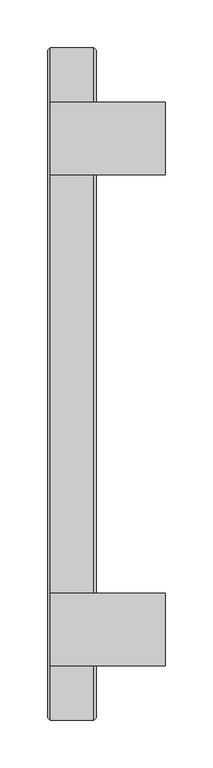
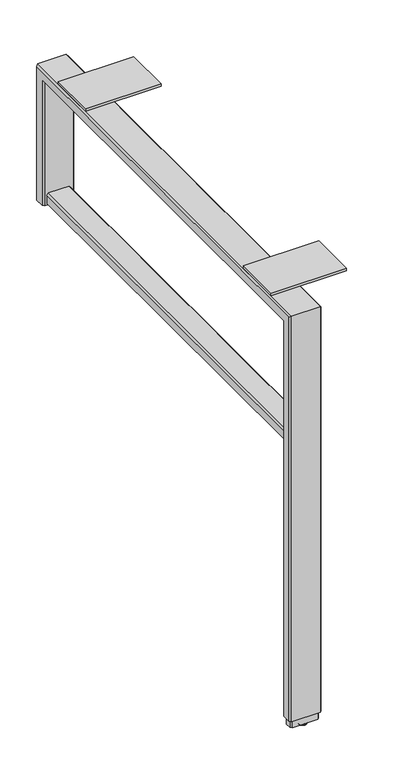
"""IFC4 building model written with IfcOpenShell, lengths in millimetres: furniture geometry."""

from ifc_helpers import new_model, si_unit, point, frame, origin, place, context, project, spatial, polyline, circle_curve, ellipse_curve, trimmed, outline, extrude, faceted_brep, source, transform, mapped, element, save
from ifc_brep_helpers import plane_surface, cylinder_surface, revolved_surface, advanced_brep


def furniture_b6c61a9d(model_context):
    return source(origin(), model_context, "Body", "SolidModel", [
        extrude(outline(polyline([(-638.808801, -323.9770123), (-638.808801, -400.1770123), (-759.458801, -400.1770123), (-759.458801, -323.9770123), (-638.808801, -323.9770123)])), frame((0.0, 0.0, 702.5386222), z_axis=(0.0, 0.0, 1.0), x_axis=(1.0, 0.0, 0.0)), (0.0, 0.0, 1.0), 4.3434),
        extrude(outline(polyline([(-638.808801, 190.6777877), (-638.808801, 114.4777877), (-759.458801, 114.4777877), (-759.458801, 190.6777877), (-638.808801, 190.6777877)])), frame((0.0, 0.0, 702.5386222), z_axis=(0.0, 0.0, 1.0), x_axis=(1.0, 0.0, 0.0)), (0.0, 0.0, 1.0), 4.3434),
        extrude(outline(polyline([(476.3769908, -755.6487993), (473.8369932, -753.1088017), (473.8369932, -720.0887986), (476.3769908, -717.548801), (490.3469956, -717.548801), (492.8869932, -720.0887986), (492.8869932, -753.1087989), (490.3469928, -755.6487993), (476.3769908, -755.6487993)])), frame((0.0, -438.2770123, 0.0), z_axis=(0.0, 1.0, 0.0), x_axis=(0.0, 0.0, 1.0)), (0.0, 0.0, 1.0), 667.0548),
        advanced_brep(
        [(-731.5193954, -447.8020123, 0.0), (-741.6793993, -447.8020123, 0.0), (-736.5993974, -447.8020123, 0.0), (-736.5993974, -447.8020123, 3.8100001), (-743.2220422, -447.8020123, 3.8100001), (-729.9767525, -447.8020123, 3.8100001), (-743.7113974, -447.8020123, 3.183654), (-729.4873973, -447.8020123, 3.183654), (-743.7113974, -447.8020123, 2.032), (-729.4873973, -447.8020123, 2.032)],
        [
            (0, 1, circle_curve(frame((-736.5993974, -447.8020123, 0.0), z_axis=(0.0, 0.0, -1.0), x_axis=(-1.0, 0.0, 0.0)), 5.080002)),
            (1, 2),
            (2, 0),
            (1, 0, circle_curve(frame((-736.5993974, -447.8020123, 0.0), z_axis=(0.0, 0.0, -1.0), x_axis=(-1.0, 0.0, 0.0)), 5.080002)),
            (3, 4),
            (4, 5, circle_curve(frame((-736.5993974, -447.8020123, 3.8100001), z_axis=(0.0, 0.0, 1.0), x_axis=(-1.0, 0.0, 0.0)), 6.6226448)),
            (5, 3),
            (5, 4, circle_curve(frame((-736.5993974, -447.8020123, 3.8100001), z_axis=(0.0, 0.0, 1.0), x_axis=(-1.0, 0.0, 0.0)), 6.6226448)),
            (4, 6),
            (6, 7, circle_curve(frame((-736.5993974, -447.8020123, 3.183654), z_axis=(0.0, 0.0, 1.0), x_axis=(-1.0, 0.0, 0.0)), 7.112)),
            (7, 5),
            (7, 6, circle_curve(frame((-736.5993974, -447.8020123, 3.183654), z_axis=(0.0, 0.0, 1.0), x_axis=(-1.0, 0.0, 0.0)), 7.112)),
            (6, 8),
            (8, 9, circle_curve(frame((-736.5993974, -447.8020123, 2.032), z_axis=(0.0, 0.0, 1.0), x_axis=(-1.0, 0.0, 0.0)), 7.112)),
            (9, 7),
            (9, 8, circle_curve(frame((-736.5993974, -447.8020123, 2.032), z_axis=(0.0, 0.0, 1.0), x_axis=(-1.0, 0.0, 0.0)), 7.112)),
            (8, 1, circle_curve(frame((-740.2425579, -447.8020123, 3.4688381), z_axis=(0.0, -1.0, 0.0), x_axis=(-1.0, 0.0, 0.0)), 3.7546439)),
            (0, 9, circle_curve(frame((-732.9562368, -447.8020123, 3.4688381), z_axis=(0.0, -1.0, 0.0), x_axis=(1.0, 0.0, 0.0)), 3.7546439)),
        ],
        [
            plane_surface(frame((-736.5993974, -447.8020123, 0.0), z_axis=(0.0, 0.0, -1.0), x_axis=(-1.0, 0.0, 0.0))),
            plane_surface(frame((-736.5993974, -447.8020123, 3.8100001), z_axis=(0.0, 0.0, 1.0), x_axis=(-1.0, 0.0, 0.0))),
            revolved_surface(polyline([(-743.7113974, -447.8020123, 3.183654), (-743.2220422, -447.8020123, 3.8100001)]), (-736.5993974, -447.8020123, -2.6032322), (0.0, 0.0, 1.0)),
            cylinder_surface(frame((-736.5993974, -447.8020123, -2.6032322), z_axis=(0.0, 0.0, 1.0), x_axis=(-1.0, 0.0, 0.0)), 7.112),
            revolved_surface(trimmed(ellipse_curve(frame((-740.2425579, -447.8020123, 3.4688381), z_axis=(0.0, 1.0, 0.0), x_axis=(-1.0, 0.0, 0.0)), 3.7546439, 3.7546439), [point((-741.6793993, -447.8020123, 0.0))], [point((-743.7113974, -447.8020123, 2.032))], True, "CARTESIAN"), (-736.5993974, -447.8020123, -2.6032322), (0.0, 0.0, 1.0)),
        ],
        [
            (0, [[1, 2, 3]]),
            (0, [[4, -3, -2]]),
            (1, [[5, 6, 7]]),
            (1, [[-7, 8, -5]]),
            (2, [[-6, 9, 10, 11]]),
            (2, [[-8, -11, 12, -9]]),
            (3, [[-10, 13, 14, 15]]),
            (3, [[-12, -15, 16, -13]]),
            (4, [[-14, 17, -1, 18]]),
            (4, [[-16, -18, -4, -17]]),
        ],
    ),
        extrude(outline(polyline([(-757.0458011, -440.6900191), (-716.1523987, -440.6900191), (-713.6118022, -443.2300166), (-713.6118022, -452.3740079), (-716.1523987, -454.9140055), (-757.0458011, -454.9140055), (-759.5858009, -452.3740079), (-759.5858009, -443.2300166), (-757.0458011, -440.6900191)])), frame((0.0, 0.0, 3.8100001), z_axis=(0.0, 0.0, 1.0), x_axis=(1.0, 0.0, 0.0)), (0.0, 0.0, 1.0), 12.6999999),
        faceted_brep([(-761.9994011, -454.7870147, 16.51), (-761.9994011, -440.8170098, 16.51), (-759.4594011, -438.2770123, 16.51), (-713.7394021, -438.2770123, 16.51), (-711.1994, -440.8170144, 16.51), (-711.1994, -454.7870102, 16.51), (-713.7394021, -457.3270123, 16.51), (-759.4594011, -457.3270123, 16.51), (-761.9994011, -454.7870147, 699.9986246), (-761.9994011, 245.2877902, 699.9986246), (-761.9994011, 245.2877902, 473.8369932), (-761.9994011, 231.3177853, 473.8369932), (-761.9994011, 231.3177853, 686.0286198), (-761.9994011, -440.8170098, 686.0286198), (-759.4594011, -438.2770123, 683.4886222), (-713.7394021, -438.2770123, 683.4886222), (-711.1994, -440.8170144, 686.0286243), (-711.1994, 231.3177898, 686.0286243), (-711.1994, 231.3177898, 473.8369932), (-711.1994, 245.2877856, 473.8369932), (-711.1994, 245.2877856, 699.9986201), (-711.1994, -454.7870102, 699.9986201), (-713.7394021, -457.3270123, 702.5386222), (-759.4594011, -457.3270123, 702.5386222), (-759.4594011, 228.7777877, 683.4886222), (-713.7394021, 228.7777877, 683.4886222), (-713.7394021, 247.8277877, 702.5386222), (-759.4594011, 247.8277877, 702.5386222), (-759.4594011, 228.7777877, 473.8369932), (-713.7394021, 228.7777877, 473.8369932), (-713.7394021, 247.8277877, 473.8369932), (-759.4594011, 247.8277877, 473.8369932)], [[[0, 1, 2, 3, 4, 5, 6, 7]], [[1, 0, 8, 9, 10, 11, 12, 13]], [[2, 1, 13, 14]], [[3, 2, 14, 15]], [[5, 4, 16, 17, 18, 19, 20, 21]], [[6, 5, 21, 22]], [[7, 6, 22, 23]], [[0, 7, 23, 8]], [[14, 13, 12, 24]], [[15, 14, 24, 25]], [[22, 21, 20, 26]], [[23, 22, 26, 27]], [[8, 23, 27, 9]], [[24, 12, 11, 28]], [[25, 24, 28, 29]], [[26, 20, 19, 30]], [[27, 26, 30, 31]], [[9, 27, 31, 10]], [[10, 31, 30, 19, 18, 29, 28, 11]], [[4, 3, 15, 16]], [[16, 15, 25, 17]], [[17, 25, 29, 18]]]),
    ])


if __name__ == "__main__":
    model = new_model("IFC4")
    model_context = context("Model", 3, world=origin())
    ifc_project = project(units=[si_unit("LENGTHUNIT", "METRE", prefix="MILLI")], contexts=[model_context])
    site = spatial("IfcSite", under=ifc_project)
    building = spatial("IfcBuilding", under=site)
    placement = place(None, origin())
    furniture_shape = furniture_b6c61a9d(model_context)
    element("IfcFurniture", 1, at=placement, inside=building, context=model_context, shape_type="MappedRepresentation", body=[
        mapped(furniture_shape, transform((0.0, 0.0, 0.0), x_axis=(1.0, 0.0, 0.0), y_axis=(0.0, 1.0, 0.0), z_axis=(0.0, 0.0, 1.0))),
    ])
    save(model, "model.ifc")
